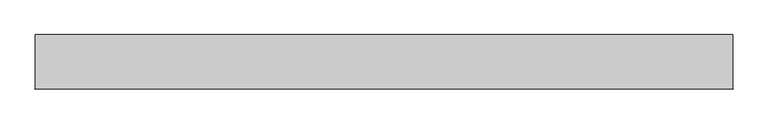
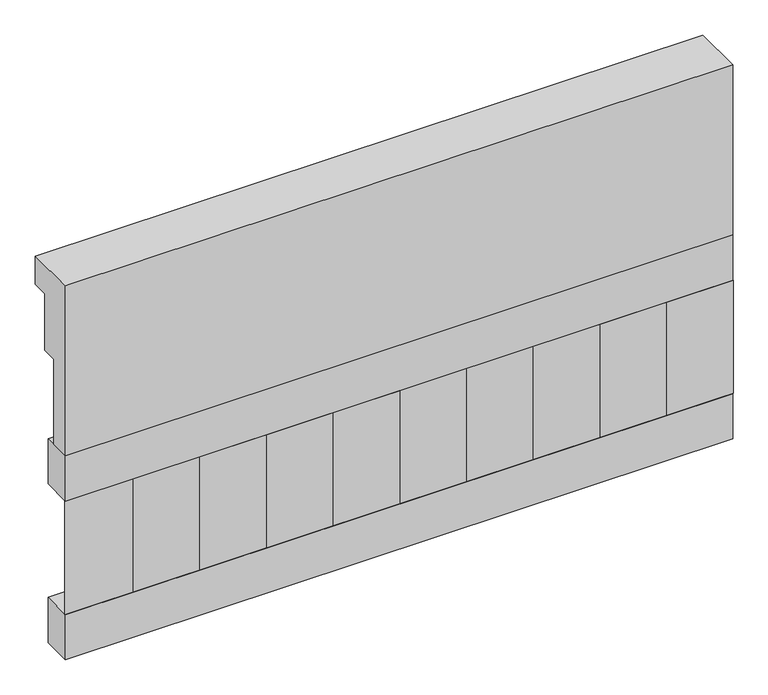
"""IFC4 building model written with IfcOpenShell, lengths in millimetres: railing geometry."""

from ifc_helpers import new_model, si_unit, frame, origin, place, context, project, spatial, polyline, outline, extrude, source, transform, mapped, element, save


def railing_707df47e(model_context):
    return source(origin(), model_context, "Body", "SweptSolid", [
        extrude(outline(polyline([(903.1079487, 21800.0), (1033.1079487, 21800.0), (1033.1079487, 21725.0), (993.1079487, 21725.0), (993.1079487, 21575.0), (953.1079487, 21575.0), (953.1079487, 21350.0), (903.1079487, 21350.0), (903.1079487, 21800.0)])), frame((36460.0112841, 0.0, 0.0), z_axis=(1.0, 0.0, 0.0), x_axis=(0.0, 1.0, 0.0)), (0.0, 0.0, 1.0), 1670.0),
        extrude(outline(polyline([(38130.0112841, 978.1079487), (38130.0112841, 903.1079487), (36460.0112841, 903.1079487), (36460.0112841, 978.1079487), (38130.0112841, 978.1079487)])), frame((0.0, 0.0, 21230.0), z_axis=(0.0, 0.0, 1.0), x_axis=(1.0, 0.0, 0.0)), (0.0, 0.0, 1.0), 120.0),
        extrude(outline(polyline([(38130.0112841, 978.1079487), (38130.0112841, 903.1079487), (36460.0112841, 903.1079487), (36460.0112841, 978.1079487), (38130.0112841, 978.1079487)])), frame((0.0, 0.0, 20810.0), z_axis=(0.0, 0.0, 1.0), x_axis=(1.0, 0.0, 0.0)), (0.0, 0.0, 1.0), 120.0),
        extrude(outline(polyline([(36543.5112841, 987.9607624), (36628.3640978, 903.1079487), (36458.6584704, 903.1079487), (36543.5112841, 987.9607624)])), frame((0.0, 0.0, 20930.0), z_axis=(0.0, 0.0, 1.0), x_axis=(1.0, 0.0, 0.0)), (0.0, 0.0, 1.0), 300.0),
        extrude(outline(polyline([(36710.5112841, 987.9607624), (36795.3640978, 903.1079487), (36625.6584704, 903.1079487), (36710.5112841, 987.9607624)])), frame((0.0, 0.0, 20930.0), z_axis=(0.0, 0.0, 1.0), x_axis=(1.0, 0.0, 0.0)), (0.0, 0.0, 1.0), 300.0),
        extrude(outline(polyline([(36877.5112841, 987.9607624), (36962.3640978, 903.1079487), (36792.6584704, 903.1079487), (36877.5112841, 987.9607624)])), frame((0.0, 0.0, 20930.0), z_axis=(0.0, 0.0, 1.0), x_axis=(1.0, 0.0, 0.0)), (0.0, 0.0, 1.0), 300.0),
        extrude(outline(polyline([(37044.5112841, 987.9607624), (37129.3640978, 903.1079487), (36959.6584704, 903.1079487), (37044.5112841, 987.9607624)])), frame((0.0, 0.0, 20930.0), z_axis=(0.0, 0.0, 1.0), x_axis=(1.0, 0.0, 0.0)), (0.0, 0.0, 1.0), 300.0),
        extrude(outline(polyline([(37211.5112841, 987.9607624), (37296.3640978, 903.1079487), (37126.6584704, 903.1079487), (37211.5112841, 987.9607624)])), frame((0.0, 0.0, 20930.0), z_axis=(0.0, 0.0, 1.0), x_axis=(1.0, 0.0, 0.0)), (0.0, 0.0, 1.0), 300.0),
        extrude(outline(polyline([(37378.5112841, 987.9607624), (37463.3640978, 903.1079487), (37293.6584704, 903.1079487), (37378.5112841, 987.9607624)])), frame((0.0, 0.0, 20930.0), z_axis=(0.0, 0.0, 1.0), x_axis=(1.0, 0.0, 0.0)), (0.0, 0.0, 1.0), 300.0),
        extrude(outline(polyline([(37545.5112841, 987.9607624), (37630.3640978, 903.1079487), (37460.6584704, 903.1079487), (37545.5112841, 987.9607624)])), frame((0.0, 0.0, 20930.0), z_axis=(0.0, 0.0, 1.0), x_axis=(1.0, 0.0, 0.0)), (0.0, 0.0, 1.0), 300.0),
        extrude(outline(polyline([(37712.5112841, 987.9607624), (37797.3640978, 903.1079487), (37627.6584704, 903.1079487), (37712.5112841, 987.9607624)])), frame((0.0, 0.0, 20930.0), z_axis=(0.0, 0.0, 1.0), x_axis=(1.0, 0.0, 0.0)), (0.0, 0.0, 1.0), 300.0),
        extrude(outline(polyline([(37879.5112841, 987.9607624), (37964.3640978, 903.1079487), (37794.6584704, 903.1079487), (37879.5112841, 987.9607624)])), frame((0.0, 0.0, 20930.0), z_axis=(0.0, 0.0, 1.0), x_axis=(1.0, 0.0, 0.0)), (0.0, 0.0, 1.0), 300.0),
        extrude(outline(polyline([(38046.5112841, 987.9607624), (38131.3640978, 903.1079487), (37961.6584704, 903.1079487), (38046.5112841, 987.9607624)])), frame((0.0, 0.0, 20930.0), z_axis=(0.0, 0.0, 1.0), x_axis=(1.0, 0.0, 0.0)), (0.0, 0.0, 1.0), 300.0),
    ])


if __name__ == "__main__":
    model = new_model("IFC4")
    model_context = context("Model", 3, world=origin())
    ifc_project = project(units=[si_unit("LENGTHUNIT", "METRE", prefix="MILLI")], contexts=[model_context])
    site = spatial("IfcSite", under=ifc_project)
    building = spatial("IfcBuilding", under=site)
    placement = place(None, origin())
    railing_shape = railing_707df47e(model_context)
    element("IfcRailing", 1, at=placement, inside=building, context=model_context, shape_type="MappedRepresentation", body=[
        mapped(railing_shape, transform((0.0, 0.0, 0.0), x_axis=(1.0, 0.0, 0.0), y_axis=(0.0, 1.0, 0.0), z_axis=(0.0, 0.0, 1.0))),
    ])
    save(model, "model.ifc")
